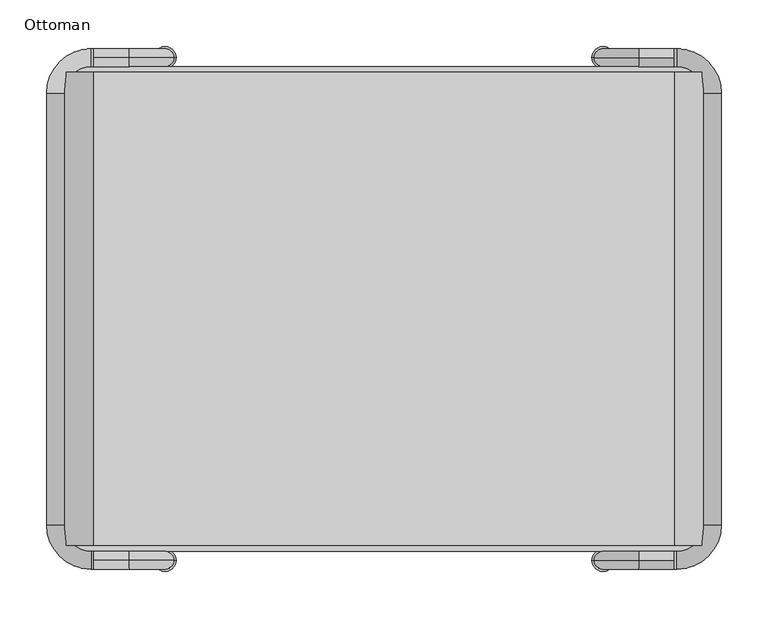
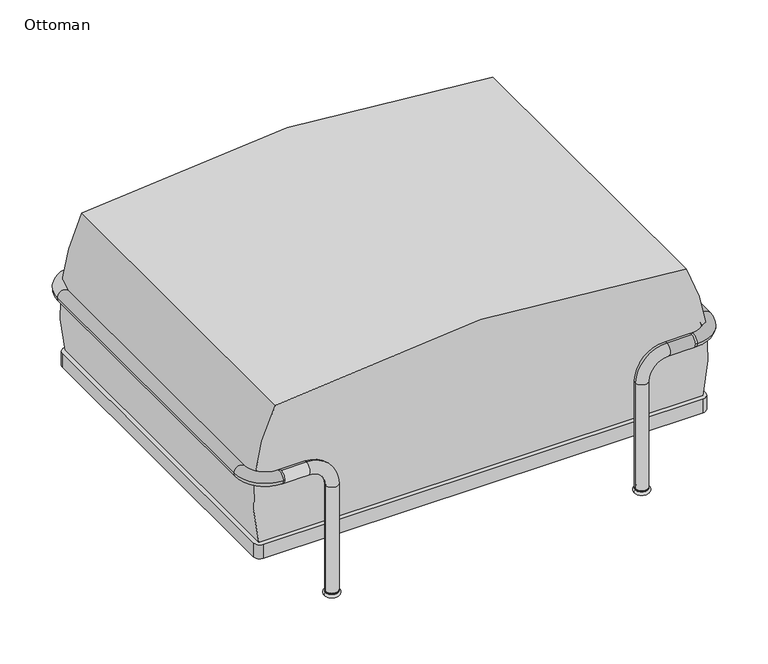
"""IFC4 building model written with IfcOpenShell, lengths in millimetres: furniture geometry, Ottoman."""

from ifc_helpers import new_model, si_unit, point, frame, frame_2d, origin, place, context, project, spatial, polyline, circle_curve, ellipse_curve, trimmed, segment, composite_curve, outline, extrude, source, transform, mapped, element, save
from ifc_brep_helpers import plane_surface, cylinder_surface, revolved_surface, advanced_brep


def ottoman_d412f61c(model_context):
    return source(origin(), model_context, "Body", "SolidModel", [
        advanced_brep(
        [(244.475, 282.575, 4.7625), (225.425, 282.575, 4.7625), (234.95, 282.575, 4.7625), (244.475, 282.575, 9.525), (225.425, 282.575, 9.525), (234.95, 282.575, 9.525)],
        [
            (0, 1, circle_curve(frame((234.95, 282.575, 4.7625), z_axis=(0.0, 0.0, -1.0), x_axis=(-1.0, 0.0, 0.0)), 9.525)),
            (1, 2),
            (2, 0),
            (1, 0, circle_curve(frame((234.95, 282.575, 4.7625), z_axis=(0.0, 0.0, -1.0), x_axis=(-1.0, 0.0, 0.0)), 9.525)),
            (3, 4, circle_curve(frame((234.95, 282.575, 9.525), z_axis=(0.0, 0.0, -1.0), x_axis=(-1.0, 0.0, 0.0)), 9.525)),
            (4, 1, circle_curve(frame((225.425, 282.575, 7.14375), z_axis=(0.0, -1.0, 0.0), x_axis=(1.0, 0.0, 0.0)), 2.38125)),
            (0, 3, circle_curve(frame((244.475, 282.575, 7.14375), z_axis=(0.0, -1.0, 0.0), x_axis=(-1.0, 0.0, 0.0)), 2.38125)),
            (4, 3, circle_curve(frame((234.95, 282.575, 9.525), z_axis=(0.0, 0.0, -1.0), x_axis=(-1.0, 0.0, 0.0)), 9.525)),
            (5, 4),
            (3, 5),
        ],
        [
            plane_surface(frame((234.95, 282.575, 4.7625), z_axis=(0.0, 0.0, -1.0), x_axis=(-1.0, 0.0, 0.0))),
            revolved_surface(trimmed(ellipse_curve(frame((225.425, 282.575, 7.14375), z_axis=(0.0, 1.0, 0.0), x_axis=(1.0, 0.0, 0.0)), 2.38125, 2.38125), [point((225.425, 282.575, 4.7625))], [point((225.425, 282.575, 9.525))], True, "CARTESIAN"), (234.95, 282.575, -436.5320186), (0.0, 0.0, 1.0)),
            plane_surface(frame((234.95, 282.575, 9.525), z_axis=(0.0, 0.0, 1.0), x_axis=(-1.0, 0.0, 0.0))),
        ],
        [
            (0, [[1, 2, 3]]),
            (0, [[4, -3, -2]]),
            (1, [[5, 6, -1, 7]]),
            (1, [[8, -7, -4, -6]]),
            (2, [[9, -5, 10]]),
            (2, [[-10, -8, -9]]),
        ],
    ),
        advanced_brep(
        [(-225.425, 282.575, 4.7625), (-244.475, 282.575, 4.7625), (-234.95, 282.575, 4.7625), (-225.425, 282.575, 9.525), (-244.475, 282.575, 9.525), (-234.95, 282.575, 9.525)],
        [
            (0, 1, circle_curve(frame((-234.95, 282.575, 4.7625), z_axis=(0.0, 0.0, -1.0), x_axis=(-1.0, 0.0, 0.0)), 9.525)),
            (1, 2),
            (2, 0),
            (1, 0, circle_curve(frame((-234.95, 282.575, 4.7625), z_axis=(0.0, 0.0, -1.0), x_axis=(-1.0, 0.0, 0.0)), 9.525)),
            (3, 4, circle_curve(frame((-234.95, 282.575, 9.525), z_axis=(0.0, 0.0, -1.0), x_axis=(-1.0, 0.0, 0.0)), 9.525)),
            (4, 1, circle_curve(frame((-244.475, 282.575, 7.14375), z_axis=(0.0, -1.0, 0.0), x_axis=(1.0, 0.0, 0.0)), 2.38125)),
            (0, 3, circle_curve(frame((-225.425, 282.575, 7.14375), z_axis=(0.0, -1.0, 0.0), x_axis=(-1.0, 0.0, 0.0)), 2.38125)),
            (4, 3, circle_curve(frame((-234.95, 282.575, 9.525), z_axis=(0.0, 0.0, -1.0), x_axis=(-1.0, 0.0, 0.0)), 9.525)),
            (5, 4),
            (3, 5),
        ],
        [
            plane_surface(frame((-234.95, 282.575, 4.7625), z_axis=(0.0, 0.0, -1.0), x_axis=(-1.0, 0.0, 0.0))),
            revolved_surface(trimmed(ellipse_curve(frame((-244.475, 282.575, 7.14375), z_axis=(0.0, 1.0, 0.0), x_axis=(1.0, 0.0, 0.0)), 2.38125, 2.38125), [point((-244.475, 282.575, 4.7625))], [point((-244.475, 282.575, 9.525))], True, "CARTESIAN"), (-234.95, 282.575, -436.5320186), (0.0, 0.0, 1.0)),
            plane_surface(frame((-234.95, 282.575, 9.525), z_axis=(0.0, 0.0, 1.0), x_axis=(-1.0, 0.0, 0.0))),
        ],
        [
            (0, [[1, 2, 3]]),
            (0, [[4, -3, -2]]),
            (1, [[5, 6, -1, 7]]),
            (1, [[8, -7, -4, -6]]),
            (2, [[9, -5, 10]]),
            (2, [[-10, -8, -9]]),
        ],
    ),
        advanced_brep(
        [(244.475, -257.175, 9.525), (225.425, -257.175, 9.525), (234.95, -257.175, 9.525), (244.475, -257.175, 4.7625), (225.425, -257.175, 4.7625), (234.95, -257.175, 4.7625)],
        [
            (0, 1, circle_curve(frame((234.95, -257.175, 9.525), z_axis=(0.0, 0.0, 1.0), x_axis=(-1.0, 0.0, 0.0)), 9.525)),
            (1, 2),
            (2, 0),
            (1, 0, circle_curve(frame((234.95, -257.175, 9.525), z_axis=(0.0, 0.0, 1.0), x_axis=(-1.0, 0.0, 0.0)), 9.525)),
            (3, 4, circle_curve(frame((234.95, -257.175, 4.7625), z_axis=(0.0, 0.0, 1.0), x_axis=(-1.0, 0.0, 0.0)), 9.525)),
            (4, 1, circle_curve(frame((225.425, -257.175, 7.14375), z_axis=(0.0, 1.0, 0.0), x_axis=(1.0, 0.0, 0.0)), 2.38125)),
            (0, 3, circle_curve(frame((244.475, -257.175, 7.14375), z_axis=(0.0, 1.0, 0.0), x_axis=(-1.0, 0.0, 0.0)), 2.38125)),
            (4, 3, circle_curve(frame((234.95, -257.175, 4.7625), z_axis=(0.0, 0.0, 1.0), x_axis=(-1.0, 0.0, 0.0)), 9.525)),
            (5, 4),
            (3, 5),
        ],
        [
            plane_surface(frame((234.95, -257.175, 9.525), z_axis=(0.0, 0.0, 1.0), x_axis=(-1.0, 0.0, 0.0))),
            revolved_surface(trimmed(ellipse_curve(frame((225.425, -257.175, 7.14375), z_axis=(0.0, -1.0, 0.0), x_axis=(1.0, 0.0, 0.0)), 2.38125, 2.38125), [point((225.425, -257.175, 9.525))], [point((225.425, -257.175, 4.7625))], True, "CARTESIAN"), (234.95, -257.175, -436.5320186), (0.0, 0.0, -1.0)),
            plane_surface(frame((234.95, -257.175, 4.7625), z_axis=(0.0, 0.0, -1.0), x_axis=(-1.0, 0.0, 0.0))),
        ],
        [
            (0, [[1, 2, 3]]),
            (0, [[4, -3, -2]]),
            (1, [[5, 6, -1, 7]]),
            (1, [[8, -7, -4, -6]]),
            (2, [[9, -5, 10]]),
            (2, [[-10, -8, -9]]),
        ],
    ),
        advanced_brep(
        [(-225.425, -257.175, 9.525), (-244.475, -257.175, 9.525), (-234.95, -257.175, 9.525), (-225.425, -257.175, 4.7625), (-244.475, -257.175, 4.7625), (-234.95, -257.175, 4.7625)],
        [
            (0, 1, circle_curve(frame((-234.95, -257.175, 9.525), z_axis=(0.0, 0.0, 1.0), x_axis=(-1.0, 0.0, 0.0)), 9.525)),
            (1, 2),
            (2, 0),
            (1, 0, circle_curve(frame((-234.95, -257.175, 9.525), z_axis=(0.0, 0.0, 1.0), x_axis=(-1.0, 0.0, 0.0)), 9.525)),
            (3, 4, circle_curve(frame((-234.95, -257.175, 4.7625), z_axis=(0.0, 0.0, 1.0), x_axis=(-1.0, 0.0, 0.0)), 9.525)),
            (4, 1, circle_curve(frame((-244.475, -257.175, 7.14375), z_axis=(0.0, 1.0, 0.0), x_axis=(1.0, 0.0, 0.0)), 2.38125)),
            (0, 3, circle_curve(frame((-225.425, -257.175, 7.14375), z_axis=(0.0, 1.0, 0.0), x_axis=(-1.0, 0.0, 0.0)), 2.38125)),
            (4, 3, circle_curve(frame((-234.95, -257.175, 4.7625), z_axis=(0.0, 0.0, 1.0), x_axis=(-1.0, 0.0, 0.0)), 9.525)),
            (5, 4),
            (3, 5),
        ],
        [
            plane_surface(frame((-234.95, -257.175, 9.525), z_axis=(0.0, 0.0, 1.0), x_axis=(-1.0, 0.0, 0.0))),
            revolved_surface(trimmed(ellipse_curve(frame((-244.475, -257.175, 7.14375), z_axis=(0.0, -1.0, 0.0), x_axis=(1.0, 0.0, 0.0)), 2.38125, 2.38125), [point((-244.475, -257.175, 9.525))], [point((-244.475, -257.175, 4.7625))], True, "CARTESIAN"), (-234.95, -257.175, -436.5320186), (0.0, 0.0, -1.0)),
            plane_surface(frame((-234.95, -257.175, 4.7625), z_axis=(0.0, 0.0, -1.0), x_axis=(-1.0, 0.0, 0.0))),
        ],
        [
            (0, [[1, 2, 3]]),
            (0, [[4, -3, -2]]),
            (1, [[5, 6, -1, 7]]),
            (1, [[8, -7, -4, -6]]),
            (2, [[9, -5, 10]]),
            (2, [[-10, -8, -9]]),
        ],
    ),
        extrude(outline(composite_curve([segment(trimmed(circle_curve(frame_2d((-234.95, -257.175)), 9.525), [point((-244.475, -257.175))], [point((-225.425, -257.175))], False, "CARTESIAN"), True, "CONTINUOUS"), segment(trimmed(circle_curve(frame_2d((-234.95, -257.175)), 9.525), [point((-225.425, -257.175))], [point((-244.475, -257.175))], False, "CARTESIAN"), True, "CONTINUOUS")], self_intersect=False)), frame((0.0, 0.0, 9.525), z_axis=(0.0, 0.0, 1.0), x_axis=(1.0, 0.0, 0.0)), (0.0, 0.0, 1.0), 1.5875),
        extrude(outline(composite_curve([segment(trimmed(circle_curve(frame_2d((234.95, -257.175)), 9.525), [point((225.425, -257.175))], [point((244.475, -257.175))], False, "CARTESIAN"), True, "CONTINUOUS"), segment(trimmed(circle_curve(frame_2d((234.95, -257.175)), 9.525), [point((244.475, -257.175))], [point((225.425, -257.175))], False, "CARTESIAN"), True, "CONTINUOUS")], self_intersect=False)), frame((0.0, 0.0, 9.525), z_axis=(0.0, 0.0, 1.0), x_axis=(1.0, 0.0, 0.0)), (0.0, 0.0, 1.0), 1.5875),
        extrude(outline(composite_curve([segment(trimmed(circle_curve(frame_2d((234.95, 282.575)), 9.525), [point((225.425, 282.575))], [point((244.475, 282.575))], False, "CARTESIAN"), True, "CONTINUOUS"), segment(trimmed(circle_curve(frame_2d((234.95, 282.575)), 9.525), [point((244.475, 282.575))], [point((225.425, 282.575))], False, "CARTESIAN"), True, "CONTINUOUS")], self_intersect=False)), frame((0.0, 0.0, 9.525), z_axis=(0.0, 0.0, 1.0), x_axis=(1.0, 0.0, 0.0)), (0.0, 0.0, 1.0), 1.5875),
        extrude(outline(composite_curve([segment(trimmed(circle_curve(frame_2d((-234.95, 282.575)), 9.525), [point((-244.475, 282.575))], [point((-225.425, 282.575))], False, "CARTESIAN"), True, "CONTINUOUS"), segment(trimmed(circle_curve(frame_2d((-234.95, 282.575)), 9.525), [point((-225.425, 282.575))], [point((-244.475, 282.575))], False, "CARTESIAN"), True, "CONTINUOUS")], self_intersect=False)), frame((0.0, 0.0, 9.525), z_axis=(0.0, 0.0, 1.0), x_axis=(1.0, 0.0, 0.0)), (0.0, 0.0, 1.0), 1.5875),
        advanced_brep(
        [(-225.425, -257.175, 11.1125), (-244.475, -257.175, 11.1125), (-225.425, -257.175, 180.975), (-244.475, -257.175, 180.975), (-273.05, -257.175, 228.6), (-273.05, -257.175, 209.55), (-311.15, -257.175, 228.6), (-311.15, -266.7, 219.075), (-311.15, -257.175, 209.55), (-311.15, -247.65, 219.075), (-244.475, 282.575, 11.1125), (-225.425, 282.575, 11.1125), (-225.425, 282.575, 180.975), (-244.475, 282.575, 180.975), (-273.05, 282.575, 228.6), (-273.05, 282.575, 209.55), (-311.15, 282.575, 228.6), (-311.15, 273.05, 219.075), (-311.15, 282.575, 209.55), (-311.15, 292.1, 219.075), (-314.325, 273.05, 219.075), (-314.325, 292.1, 219.075), (-342.9, 244.475, 219.075), (-361.95, 244.475, 219.075), (-342.9, -219.075, 219.075), (-361.95, -219.075, 219.075), (-314.325, -247.65, 219.075), (-314.325, -266.7, 219.075)],
        [
            (0, 1, circle_curve(frame((-234.95, -257.175, 11.1125), z_axis=(0.0, 0.0, -1.0), x_axis=(-1.0, 0.0, 0.0)), 9.525)),
            (1, 0, circle_curve(frame((-234.95, -257.175, 11.1125), z_axis=(0.0, 0.0, -1.0), x_axis=(-1.0, 0.0, 0.0)), 9.525)),
            (0, 2),
            (2, 3, circle_curve(frame((-234.95, -257.175, 180.975), z_axis=(0.0, 0.0, -1.0), x_axis=(-1.0, 0.0, 0.0)), 9.525)),
            (3, 1),
            (3, 2, circle_curve(frame((-234.95, -257.175, 180.975), z_axis=(0.0, 0.0, -1.0), x_axis=(-1.0, 0.0, 0.0)), 9.525)),
            (2, 4, circle_curve(frame((-273.05, -257.175, 180.975), z_axis=(0.0, -1.0, 0.0), x_axis=(1.0, 0.0, 0.0)), 47.625)),
            (4, 5, circle_curve(frame((-273.05, -257.175, 219.075), z_axis=(1.0, 0.0, 0.0), x_axis=(0.0, 0.0, -1.0)), 9.525)),
            (5, 3, circle_curve(frame((-273.05, -257.175, 180.975), z_axis=(0.0, 1.0, 0.0), x_axis=(1.0, 0.0, 0.0)), 28.575)),
            (5, 4, circle_curve(frame((-273.05, -257.175, 219.075), z_axis=(1.0, 0.0, 0.0), x_axis=(0.0, 0.0, -1.0)), 9.525)),
            (4, 6),
            (6, 7, circle_curve(frame((-311.15, -257.175, 219.075), z_axis=(1.0, 0.0, 0.0), x_axis=(0.0, 0.0, -1.0)), 9.525)),
            (7, 8, circle_curve(frame((-311.15, -257.175, 219.075), z_axis=(1.0, 0.0, 0.0), x_axis=(0.0, 0.0, -1.0)), 9.525)),
            (8, 5),
            (8, 9, circle_curve(frame((-311.15, -257.175, 219.075), z_axis=(1.0, 0.0, 0.0), x_axis=(0.0, 0.0, -1.0)), 9.525)),
            (9, 6, circle_curve(frame((-311.15, -257.175, 219.075), z_axis=(1.0, 0.0, 0.0), x_axis=(0.0, 0.0, -1.0)), 9.525)),
            (10, 11, circle_curve(frame((-234.95, 282.575, 11.1125), z_axis=(0.0, 0.0, -1.0), x_axis=(1.0, 0.0, 0.0)), 9.525)),
            (11, 10, circle_curve(frame((-234.95, 282.575, 11.1125), z_axis=(0.0, 0.0, -1.0), x_axis=(1.0, 0.0, 0.0)), 9.525)),
            (11, 12),
            (12, 13, circle_curve(frame((-234.95, 282.575, 180.975), z_axis=(0.0, 0.0, -1.0), x_axis=(1.0, 0.0, 0.0)), 9.525)),
            (13, 10),
            (13, 12, circle_curve(frame((-234.95, 282.575, 180.975), z_axis=(0.0, 0.0, -1.0), x_axis=(1.0, 0.0, 0.0)), 9.525)),
            (12, 14, circle_curve(frame((-273.05, 282.575, 180.975), z_axis=(0.0, -1.0, 0.0), x_axis=(1.0, 0.0, 0.0)), 47.625)),
            (14, 15, circle_curve(frame((-273.05, 282.575, 219.075), z_axis=(1.0, 0.0, 0.0), x_axis=(0.0, 0.0, 1.0)), 9.525)),
            (15, 13, circle_curve(frame((-273.05, 282.575, 180.975), z_axis=(0.0, 1.0, 0.0), x_axis=(1.0, 0.0, 0.0)), 28.575)),
            (15, 14, circle_curve(frame((-273.05, 282.575, 219.075), z_axis=(1.0, 0.0, 0.0), x_axis=(0.0, 0.0, 1.0)), 9.525)),
            (14, 16),
            (16, 17, circle_curve(frame((-311.15, 282.575, 219.075), z_axis=(1.0, 0.0, 0.0), x_axis=(0.0, 0.0, 1.0)), 9.525)),
            (17, 18, circle_curve(frame((-311.15, 282.575, 219.075), z_axis=(1.0, 0.0, 0.0), x_axis=(0.0, 0.0, 1.0)), 9.525)),
            (18, 15),
            (18, 19, circle_curve(frame((-311.15, 282.575, 219.075), z_axis=(1.0, 0.0, 0.0), x_axis=(0.0, 0.0, 1.0)), 9.525)),
            (19, 16, circle_curve(frame((-311.15, 282.575, 219.075), z_axis=(1.0, 0.0, 0.0), x_axis=(0.0, 0.0, 1.0)), 9.525)),
            (17, 20),
            (20, 21, circle_curve(frame((-314.325, 282.575, 219.075), z_axis=(1.0, 0.0, 0.0), x_axis=(0.0, -1.0, 0.0)), 9.525)),
            (21, 19),
            (21, 20, circle_curve(frame((-314.325, 282.575, 219.075), z_axis=(1.0, 0.0, 0.0), x_axis=(0.0, -1.0, 0.0)), 9.525)),
            (20, 22, circle_curve(frame((-314.325, 244.475, 219.075), z_axis=(0.0, 0.0, 1.0), x_axis=(0.0, 1.0, 0.0)), 28.575)),
            (22, 23, circle_curve(frame((-352.425, 244.475, 219.075), z_axis=(0.0, 1.0, 0.0), x_axis=(1.0, 0.0, 0.0)), 9.525)),
            (23, 21, circle_curve(frame((-314.325, 244.475, 219.075), z_axis=(0.0, 0.0, -1.0), x_axis=(0.0, 1.0, 0.0)), 47.625)),
            (23, 22, circle_curve(frame((-352.425, 244.475, 219.075), z_axis=(0.0, 1.0, 0.0), x_axis=(1.0, 0.0, 0.0)), 9.525)),
            (22, 24),
            (24, 25, circle_curve(frame((-352.425, -219.075, 219.075), z_axis=(0.0, 1.0, 0.0), x_axis=(1.0, 0.0, 0.0)), 9.525)),
            (25, 23),
            (25, 24, circle_curve(frame((-352.425, -219.075, 219.075), z_axis=(0.0, 1.0, 0.0), x_axis=(1.0, 0.0, 0.0)), 9.525)),
            (24, 26, circle_curve(frame((-314.325, -219.075, 219.075), z_axis=(0.0, 0.0, 1.0), x_axis=(-1.0, 0.0, 0.0)), 28.575)),
            (26, 27, circle_curve(frame((-314.325, -257.175, 219.075), z_axis=(-1.0, 0.0, 0.0), x_axis=(0.0, 1.0, 0.0)), 9.525)),
            (27, 25, circle_curve(frame((-314.325, -219.075, 219.075), z_axis=(0.0, 0.0, -1.0), x_axis=(-1.0, 0.0, 0.0)), 47.625)),
            (27, 26, circle_curve(frame((-314.325, -257.175, 219.075), z_axis=(-1.0, 0.0, 0.0), x_axis=(0.0, 1.0, 0.0)), 9.525)),
            (26, 9),
            (7, 27),
        ],
        [
            plane_surface(frame((-234.95, -257.175, 11.1125), z_axis=(0.0, 0.0, -1.0), x_axis=(0.0, -1.0, 0.0))),
            cylinder_surface(frame((-234.95, -257.175, 11.1125), z_axis=(0.0, 0.0, -1.0), x_axis=(-1.0, 0.0, 0.0)), 9.525),
            revolved_surface(trimmed(ellipse_curve(frame((-234.95, -257.175, 180.975), z_axis=(0.0, 0.0, -1.0), x_axis=(-1.0, 0.0, 0.0)), 9.525, 9.525), [point((-225.425, -257.175, 180.975))], [point((-244.475, -257.175, 180.975))], True, "CARTESIAN"), (-273.05, -257.175, 180.975), (0.0, -1.0, 0.0)),
            revolved_surface(trimmed(ellipse_curve(frame((-234.95, -257.175, 180.975), z_axis=(0.0, 0.0, -1.0), x_axis=(-1.0, 0.0, 0.0)), 9.525, 9.525), [point((-244.475, -257.175, 180.975))], [point((-225.425, -257.175, 180.975))], True, "CARTESIAN"), (-273.05, -257.175, 180.975), (0.0, -1.0, 0.0)),
            cylinder_surface(frame((-273.05, -257.175, 219.075), z_axis=(1.0, 0.0, 0.0), x_axis=(0.0, 0.0, -1.0)), 9.525),
            plane_surface(frame((-234.95, 282.575, 11.1125), z_axis=(0.0, 0.0, -1.0), x_axis=(0.0, 1.0, 0.0))),
            cylinder_surface(frame((-234.95, 282.575, 11.1125), z_axis=(0.0, 0.0, -1.0), x_axis=(1.0, 0.0, 0.0)), 9.525),
            revolved_surface(trimmed(ellipse_curve(frame((-234.95, 282.575, 180.975), z_axis=(0.0, 0.0, -1.0), x_axis=(1.0, 0.0, 0.0)), 9.525, 9.525), [point((-225.425, 282.575, 180.975))], [point((-244.475, 282.575, 180.975))], True, "CARTESIAN"), (-273.05, 282.575, 180.975), (0.0, -1.0, 0.0)),
            revolved_surface(trimmed(ellipse_curve(frame((-234.95, 282.575, 180.975), z_axis=(0.0, 0.0, -1.0), x_axis=(1.0, 0.0, 0.0)), 9.525, 9.525), [point((-244.475, 282.575, 180.975))], [point((-225.425, 282.575, 180.975))], True, "CARTESIAN"), (-273.05, 282.575, 180.975), (0.0, -1.0, 0.0)),
            cylinder_surface(frame((-273.05, 282.575, 219.075), z_axis=(1.0, 0.0, 0.0), x_axis=(0.0, 0.0, 1.0)), 9.525),
            cylinder_surface(frame((-311.15, 282.575, 219.075), z_axis=(1.0, 0.0, 0.0), x_axis=(0.0, -1.0, 0.0)), 9.525),
            revolved_surface(trimmed(ellipse_curve(frame((-314.325, 282.575, 219.075), z_axis=(1.0, 0.0, 0.0), x_axis=(0.0, -1.0, 0.0)), 9.525, 9.525), [point((-314.325, 273.05, 219.075))], [point((-314.325, 292.1, 219.075))], True, "CARTESIAN"), (-314.325, 244.475, -114.3), (0.0, 0.0, 1.0)),
            revolved_surface(trimmed(ellipse_curve(frame((-314.325, 282.575, 219.075), z_axis=(1.0, 0.0, 0.0), x_axis=(0.0, -1.0, 0.0)), 9.525, 9.525), [point((-314.325, 292.1, 219.075))], [point((-314.325, 273.05, 219.075))], True, "CARTESIAN"), (-314.325, 244.475, -114.3), (0.0, 0.0, 1.0)),
            cylinder_surface(frame((-352.425, 244.475, 219.075), z_axis=(0.0, 1.0, 0.0), x_axis=(1.0, 0.0, 0.0)), 9.525),
            revolved_surface(trimmed(ellipse_curve(frame((-352.425, -219.075, 219.075), z_axis=(0.0, 1.0, 0.0), x_axis=(1.0, 0.0, 0.0)), 9.525, 9.525), [point((-342.9, -219.075, 219.075))], [point((-361.95, -219.075, 219.075))], True, "CARTESIAN"), (-314.325, -219.075, -114.3), (0.0, 0.0, 1.0)),
            revolved_surface(trimmed(ellipse_curve(frame((-352.425, -219.075, 219.075), z_axis=(0.0, 1.0, 0.0), x_axis=(1.0, 0.0, 0.0)), 9.525, 9.525), [point((-361.95, -219.075, 219.075))], [point((-342.9, -219.075, 219.075))], True, "CARTESIAN"), (-314.325, -219.075, -114.3), (0.0, 0.0, 1.0)),
            cylinder_surface(frame((-314.325, -257.175, 219.075), z_axis=(-1.0, 0.0, 0.0), x_axis=(0.0, 1.0, 0.0)), 9.525),
        ],
        [
            (0, [[1, 2]]),
            (1, [[-1, 3, 4, 5]]),
            (1, [[-2, -5, 6, -3]]),
            (2, [[-4, 7, 8, 9]]),
            (3, [[-6, -9, 10, -7]]),
            (4, [[-8, 11, 12, 13, 14]]),
            (4, [[-10, -14, 15, 16, -11]]),
            (5, [[17, 18]]),
            (6, [[-18, 19, 20, 21]]),
            (6, [[-17, -21, 22, -19]]),
            (7, [[-20, 23, 24, 25]]),
            (8, [[-22, -25, 26, -23]]),
            (9, [[-24, 27, 28, 29, 30]]),
            (9, [[-26, -30, 31, 32, -27]]),
            (10, [[33, 34, 35, -31, -29]]),
            (10, [[-33, -28, -32, -35, 36]]),
            (11, [[-34, 37, 38, 39]]),
            (12, [[-36, -39, 40, -37]]),
            (13, [[-38, 41, 42, 43]]),
            (13, [[-40, -43, 44, -41]]),
            (14, [[-42, 45, 46, 47]]),
            (15, [[-44, -47, 48, -45]]),
            (16, [[-46, 49, -15, -13, 50]]),
            (16, [[-48, -50, -12, -16, -49]]),
        ],
    ),
        advanced_brep(
        [(311.15, 273.05, 219.075), (314.325, 273.05, 219.075), (314.325, 292.1, 219.075), (311.15, 292.1, 219.075), (311.15, 282.575, 228.6), (311.15, 282.575, 209.55), (342.9, 244.475, 219.075), (361.95, 244.475, 219.075), (342.9, -219.075, 219.075), (361.95, -219.075, 219.075), (314.325, -247.65, 219.075), (314.325, -266.7, 219.075), (311.15, -247.65, 219.075), (311.15, -257.175, 228.6), (311.15, -266.7, 219.075), (311.15, -257.175, 209.55), (244.475, -257.175, 11.1125), (225.425, -257.175, 11.1125), (225.425, -257.175, 180.975), (244.475, -257.175, 180.975), (273.05, -257.175, 228.6), (273.05, -257.175, 209.55), (225.425, 282.575, 11.1125), (244.475, 282.575, 11.1125), (225.425, 282.575, 180.975), (244.475, 282.575, 180.975), (273.05, 282.575, 228.6), (273.05, 282.575, 209.55)],
        [
            (0, 1),
            (1, 2, circle_curve(frame((314.325, 282.575, 219.075), z_axis=(-1.0, 0.0, 0.0), x_axis=(0.0, 1.0, 0.0)), 9.525)),
            (2, 3),
            (3, 4, circle_curve(frame((311.15, 282.575, 219.075), z_axis=(1.0, 0.0, 0.0), x_axis=(0.0, 1.0, 0.0)), 9.525)),
            (4, 0, circle_curve(frame((311.15, 282.575, 219.075), z_axis=(1.0, 0.0, 0.0), x_axis=(0.0, 1.0, 0.0)), 9.525)),
            (0, 5, circle_curve(frame((311.15, 282.575, 219.075), z_axis=(1.0, 0.0, 0.0), x_axis=(0.0, 1.0, 0.0)), 9.525)),
            (5, 3, circle_curve(frame((311.15, 282.575, 219.075), z_axis=(1.0, 0.0, 0.0), x_axis=(0.0, 1.0, 0.0)), 9.525)),
            (2, 1, circle_curve(frame((314.325, 282.575, 219.075), z_axis=(-1.0, 0.0, 0.0), x_axis=(0.0, 1.0, 0.0)), 9.525)),
            (1, 6, circle_curve(frame((314.325, 244.475, 219.075), z_axis=(0.0, 0.0, -1.0), x_axis=(0.0, 1.0, 0.0)), 28.575)),
            (6, 7, circle_curve(frame((352.425, 244.475, 219.075), z_axis=(0.0, 1.0, 0.0), x_axis=(1.0, 0.0, 0.0)), 9.525)),
            (7, 2, circle_curve(frame((314.325, 244.475, 219.075), z_axis=(0.0, 0.0, 1.0), x_axis=(0.0, 1.0, 0.0)), 47.625)),
            (7, 6, circle_curve(frame((352.425, 244.475, 219.075), z_axis=(0.0, 1.0, 0.0), x_axis=(1.0, 0.0, 0.0)), 9.525)),
            (6, 8),
            (8, 9, circle_curve(frame((352.425, -219.075, 219.075), z_axis=(0.0, 1.0, 0.0), x_axis=(1.0, 0.0, 0.0)), 9.525)),
            (9, 7),
            (9, 8, circle_curve(frame((352.425, -219.075, 219.075), z_axis=(0.0, 1.0, 0.0), x_axis=(1.0, 0.0, 0.0)), 9.525)),
            (8, 10, circle_curve(frame((314.325, -219.075, 219.075), z_axis=(0.0, 0.0, -1.0), x_axis=(1.0, 0.0, 0.0)), 28.575)),
            (10, 11, circle_curve(frame((314.325, -257.175, 219.075), z_axis=(1.0, 0.0, 0.0), x_axis=(0.0, -1.0, 0.0)), 9.525)),
            (11, 9, circle_curve(frame((314.325, -219.075, 219.075), z_axis=(0.0, 0.0, 1.0), x_axis=(1.0, 0.0, 0.0)), 47.625)),
            (11, 10, circle_curve(frame((314.325, -257.175, 219.075), z_axis=(1.0, 0.0, 0.0), x_axis=(0.0, -1.0, 0.0)), 9.525)),
            (10, 12),
            (12, 13, circle_curve(frame((311.15, -257.175, 219.075), z_axis=(1.0, 0.0, 0.0), x_axis=(0.0, -1.0, 0.0)), 9.525)),
            (13, 14, circle_curve(frame((311.15, -257.175, 219.075), z_axis=(1.0, 0.0, 0.0), x_axis=(0.0, -1.0, 0.0)), 9.525)),
            (14, 11),
            (14, 15, circle_curve(frame((311.15, -257.175, 219.075), z_axis=(1.0, 0.0, 0.0), x_axis=(0.0, -1.0, 0.0)), 9.525)),
            (15, 12, circle_curve(frame((311.15, -257.175, 219.075), z_axis=(1.0, 0.0, 0.0), x_axis=(0.0, -1.0, 0.0)), 9.525)),
            (16, 17, circle_curve(frame((234.95, -257.175, 11.1125), z_axis=(0.0, 0.0, -1.0), x_axis=(-1.0, 0.0, 0.0)), 9.525)),
            (17, 16, circle_curve(frame((234.95, -257.175, 11.1125), z_axis=(0.0, 0.0, -1.0), x_axis=(-1.0, 0.0, 0.0)), 9.525)),
            (17, 18),
            (18, 19, circle_curve(frame((234.95, -257.175, 180.975), z_axis=(0.0, 0.0, -1.0), x_axis=(-1.0, 0.0, 0.0)), 9.525)),
            (19, 16),
            (19, 18, circle_curve(frame((234.95, -257.175, 180.975), z_axis=(0.0, 0.0, -1.0), x_axis=(-1.0, 0.0, 0.0)), 9.525)),
            (18, 20, circle_curve(frame((273.05, -257.175, 180.975), z_axis=(0.0, 1.0, 0.0), x_axis=(-1.0, 0.0, 0.0)), 47.625)),
            (20, 21, circle_curve(frame((273.05, -257.175, 219.075), z_axis=(-1.0, 0.0, 0.0), x_axis=(0.0, 0.0, 1.0)), 9.525)),
            (21, 19, circle_curve(frame((273.05, -257.175, 180.975), z_axis=(0.0, -1.0, 0.0), x_axis=(-1.0, 0.0, 0.0)), 28.575)),
            (21, 20, circle_curve(frame((273.05, -257.175, 219.075), z_axis=(-1.0, 0.0, 0.0), x_axis=(0.0, 0.0, 1.0)), 9.525)),
            (20, 13),
            (15, 21),
            (22, 23, circle_curve(frame((234.95, 282.575, 11.1125), z_axis=(0.0, 0.0, -1.0), x_axis=(1.0, 0.0, 0.0)), 9.525)),
            (23, 22, circle_curve(frame((234.95, 282.575, 11.1125), z_axis=(0.0, 0.0, -1.0), x_axis=(1.0, 0.0, 0.0)), 9.525)),
            (22, 24),
            (24, 25, circle_curve(frame((234.95, 282.575, 180.975), z_axis=(0.0, 0.0, -1.0), x_axis=(1.0, 0.0, 0.0)), 9.525)),
            (25, 23),
            (25, 24, circle_curve(frame((234.95, 282.575, 180.975), z_axis=(0.0, 0.0, -1.0), x_axis=(1.0, 0.0, 0.0)), 9.525)),
            (24, 26, circle_curve(frame((273.05, 282.575, 180.975), z_axis=(0.0, 1.0, 0.0), x_axis=(-1.0, 0.0, 0.0)), 47.625)),
            (26, 27, circle_curve(frame((273.05, 282.575, 219.075), z_axis=(-1.0, 0.0, 0.0), x_axis=(0.0, 0.0, -1.0)), 9.525)),
            (27, 25, circle_curve(frame((273.05, 282.575, 180.975), z_axis=(0.0, -1.0, 0.0), x_axis=(-1.0, 0.0, 0.0)), 28.575)),
            (27, 26, circle_curve(frame((273.05, 282.575, 219.075), z_axis=(-1.0, 0.0, 0.0), x_axis=(0.0, 0.0, -1.0)), 9.525)),
            (26, 4),
            (5, 27),
        ],
        [
            cylinder_surface(frame((311.15, 282.575, 219.075), z_axis=(-1.0, 0.0, 0.0), x_axis=(0.0, 1.0, 0.0)), 9.525),
            revolved_surface(trimmed(ellipse_curve(frame((314.325, 282.575, 219.075), z_axis=(-1.0, 0.0, 0.0), x_axis=(0.0, 1.0, 0.0)), 9.525, 9.525), [point((314.325, 273.05, 219.075))], [point((314.325, 292.1, 219.075))], True, "CARTESIAN"), (314.325, 244.475, -114.3), (0.0, 0.0, -1.0)),
            revolved_surface(trimmed(ellipse_curve(frame((314.325, 282.575, 219.075), z_axis=(-1.0, 0.0, 0.0), x_axis=(0.0, 1.0, 0.0)), 9.525, 9.525), [point((314.325, 292.1, 219.075))], [point((314.325, 273.05, 219.075))], True, "CARTESIAN"), (314.325, 244.475, -114.3), (0.0, 0.0, -1.0)),
            cylinder_surface(frame((352.425, 244.475, 219.075), z_axis=(0.0, 1.0, 0.0), x_axis=(1.0, 0.0, 0.0)), 9.525),
            revolved_surface(trimmed(ellipse_curve(frame((352.425, -219.075, 219.075), z_axis=(0.0, 1.0, 0.0), x_axis=(1.0, 0.0, 0.0)), 9.525, 9.525), [point((342.9, -219.075, 219.075))], [point((361.95, -219.075, 219.075))], True, "CARTESIAN"), (314.325, -219.075, -114.3), (0.0, 0.0, -1.0)),
            revolved_surface(trimmed(ellipse_curve(frame((352.425, -219.075, 219.075), z_axis=(0.0, 1.0, 0.0), x_axis=(1.0, 0.0, 0.0)), 9.525, 9.525), [point((361.95, -219.075, 219.075))], [point((342.9, -219.075, 219.075))], True, "CARTESIAN"), (314.325, -219.075, -114.3), (0.0, 0.0, -1.0)),
            cylinder_surface(frame((314.325, -257.175, 219.075), z_axis=(1.0, 0.0, 0.0), x_axis=(0.0, -1.0, 0.0)), 9.525),
            plane_surface(frame((234.95, -257.175, 11.1125), z_axis=(0.0, 0.0, -1.0), x_axis=(0.0, -1.0, 0.0))),
            cylinder_surface(frame((234.95, -257.175, 11.1125), z_axis=(0.0, 0.0, -1.0), x_axis=(-1.0, 0.0, 0.0)), 9.525),
            revolved_surface(trimmed(ellipse_curve(frame((234.95, -257.175, 180.975), z_axis=(0.0, 0.0, -1.0), x_axis=(-1.0, 0.0, 0.0)), 9.525, 9.525), [point((225.425, -257.175, 180.975))], [point((244.475, -257.175, 180.975))], True, "CARTESIAN"), (273.05, -257.175, 180.975), (0.0, 1.0, 0.0)),
            revolved_surface(trimmed(ellipse_curve(frame((234.95, -257.175, 180.975), z_axis=(0.0, 0.0, -1.0), x_axis=(-1.0, 0.0, 0.0)), 9.525, 9.525), [point((244.475, -257.175, 180.975))], [point((225.425, -257.175, 180.975))], True, "CARTESIAN"), (273.05, -257.175, 180.975), (0.0, 1.0, 0.0)),
            cylinder_surface(frame((273.05, -257.175, 219.075), z_axis=(-1.0, 0.0, 0.0), x_axis=(0.0, 0.0, 1.0)), 9.525),
            plane_surface(frame((234.95, 282.575, 11.1125), z_axis=(0.0, 0.0, -1.0), x_axis=(0.0, 1.0, 0.0))),
            cylinder_surface(frame((234.95, 282.575, 11.1125), z_axis=(0.0, 0.0, -1.0), x_axis=(1.0, 0.0, 0.0)), 9.525),
            revolved_surface(trimmed(ellipse_curve(frame((234.95, 282.575, 180.975), z_axis=(0.0, 0.0, -1.0), x_axis=(1.0, 0.0, 0.0)), 9.525, 9.525), [point((225.425, 282.575, 180.975))], [point((244.475, 282.575, 180.975))], True, "CARTESIAN"), (273.05, 282.575, 180.975), (0.0, 1.0, 0.0)),
            revolved_surface(trimmed(ellipse_curve(frame((234.95, 282.575, 180.975), z_axis=(0.0, 0.0, -1.0), x_axis=(1.0, 0.0, 0.0)), 9.525, 9.525), [point((244.475, 282.575, 180.975))], [point((225.425, 282.575, 180.975))], True, "CARTESIAN"), (273.05, 282.575, 180.975), (0.0, 1.0, 0.0)),
            cylinder_surface(frame((273.05, 282.575, 219.075), z_axis=(-1.0, 0.0, 0.0), x_axis=(0.0, 0.0, -1.0)), 9.525),
        ],
        [
            (0, [[1, 2, 3, 4, 5]]),
            (0, [[-1, 6, 7, -3, 8]]),
            (1, [[-2, 9, 10, 11]]),
            (2, [[-8, -11, 12, -9]]),
            (3, [[-10, 13, 14, 15]]),
            (3, [[-12, -15, 16, -13]]),
            (4, [[-14, 17, 18, 19]]),
            (5, [[-16, -19, 20, -17]]),
            (6, [[-18, 21, 22, 23, 24]]),
            (6, [[-20, -24, 25, 26, -21]]),
            (7, [[27, 28]]),
            (8, [[-28, 29, 30, 31]]),
            (8, [[-27, -31, 32, -29]]),
            (9, [[-30, 33, 34, 35]]),
            (10, [[-32, -35, 36, -33]]),
            (11, [[-34, 37, -22, -26, 38]]),
            (11, [[-36, -38, -25, -23, -37]]),
            (12, [[39, 40]]),
            (13, [[-39, 41, 42, 43]]),
            (13, [[-40, -43, 44, -41]]),
            (14, [[-42, 45, 46, 47]]),
            (15, [[-44, -47, 48, -45]]),
            (16, [[-46, 49, -4, -7, 50]]),
            (16, [[-48, -50, -6, -5, -49]]),
        ],
    ),
        extrude(outline(composite_curve([segment(trimmed(circle_curve(frame_2d((333.375, 263.525)), 9.525), [point((333.375, 273.05))], [point((342.9, 263.525))], False, "CARTESIAN"), True, "CONTINUOUS"), segment(polyline([(342.9, 263.525), (342.9, -238.125)]), True, "CONTINUOUS"), segment(trimmed(circle_curve(frame_2d((333.375, -238.125)), 9.525), [point((342.9, -238.125))], [point((333.375, -247.65))], False, "CARTESIAN"), True, "CONTINUOUS"), segment(polyline([(333.375, -247.65), (-333.375, -247.65)]), True, "CONTINUOUS"), segment(trimmed(circle_curve(frame_2d((-333.375, -238.125)), 9.525), [point((-333.375, -247.65))], [point((-342.9, -238.125))], False, "CARTESIAN"), True, "CONTINUOUS"), segment(polyline([(-342.9, -238.125), (-342.9, 263.525)]), True, "CONTINUOUS"), segment(trimmed(circle_curve(frame_2d((-333.375, 263.525)), 9.525), [point((-342.9, 263.525))], [point((-333.375, 273.05))], False, "CARTESIAN"), True, "CONTINUOUS"), segment(polyline([(-333.375, 273.05), (333.375, 273.05)]), True, "CONTINUOUS")], self_intersect=False)), frame((0.0, 0.0, 89.7750405), z_axis=(0.0, 0.0, 1.0), x_axis=(1.0, 0.0, 0.0)), (0.0, 0.0, 1.0), 22.225),
        extrude(outline(composite_curve([segment(polyline([(112.0000405, -336.55), (112.0000405, 336.55)]), True, "CONTINUOUS"), segment(trimmed(circle_curve(frame_2d((183.6286059, 34.6695248)), 310.2619421), [point((112.0000405, 336.55))], [point((323.6670619, 311.5299654))], False, "CARTESIAN"), True, "CONTINUOUS"), segment(trimmed(circle_curve(frame_2d((-1363.307663, 0.0)), 1715.4983654), [point((323.6670619, 311.5299654))], [point((323.6670619, -311.5299654))], False, "CARTESIAN"), True, "CONTINUOUS"), segment(trimmed(circle_curve(frame_2d((183.6286059, -34.6695248)), 310.2619421), [point((323.6670619, -311.5299654))], [point((112.0000405, -336.55))], False, "CARTESIAN"), True, "CONTINUOUS")], self_intersect=False)), frame((0.0, -241.3, 0.0), z_axis=(0.0, 1.0, 0.0), x_axis=(0.0, 0.0, 1.0)), (0.0, 0.0, 1.0), 508.0),
    ])


if __name__ == "__main__":
    model = new_model("IFC4")
    model_context = context("Model", 3, world=origin())
    ifc_project = project(units=[si_unit("LENGTHUNIT", "METRE", prefix="MILLI")], contexts=[model_context])
    site = spatial("IfcSite", under=ifc_project)
    building = spatial("IfcBuilding", under=site)
    placement = place(None, origin())
    ottoman_shape = ottoman_d412f61c(model_context)
    element("IfcFurniture", 1, ObjectType="Ottoman", at=placement, inside=building, context=model_context, shape_type="MappedRepresentation", body=[
        mapped(ottoman_shape, transform((0.0, 0.0, 0.0), x_axis=(1.0, 0.0, 0.0), y_axis=(0.0, 1.0, 0.0), z_axis=(0.0, 0.0, 1.0))),
    ])
    save(model, "model.ifc")
